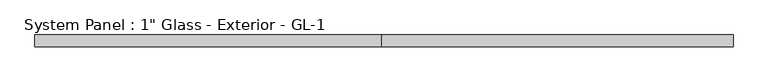
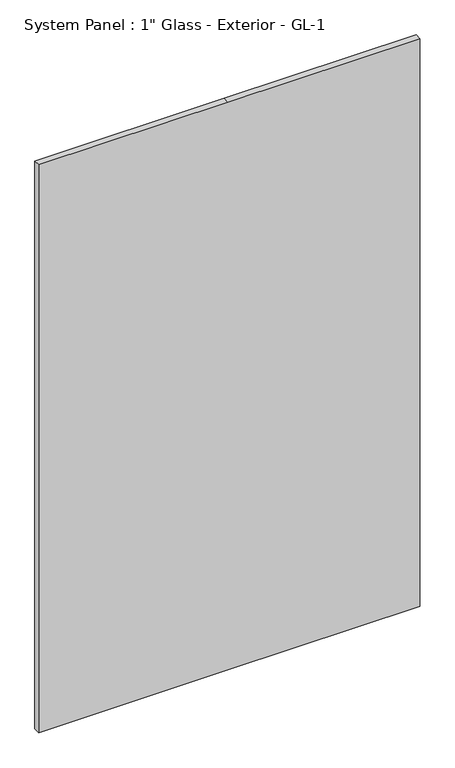
"""IFC4 building model written with IfcOpenShell, lengths in millimetres: plate geometry."""

from ifc_helpers import new_model, si_unit, frame, origin, place, context, project, spatial, polyline, outline, extrude, source, transform, mapped, element, save


def plate_df1a668c(model_context):
    return source(origin(), model_context, "Body", "SweptSolid", [
        extrude(outline(polyline([(0.0, -757.2375), (0.0, -4.7625), (0.0, 757.2375), (2387.6, 757.2375), (2387.6, -4.7625), (2387.6, -757.2375), (0.0, -757.2375)])), frame((0.0, 12.7, 0.0), z_axis=(0.0, 1.0, 0.0), x_axis=(0.0, 0.0, 1.0)), (0.0, 0.0, 1.0), 25.4),
    ])


if __name__ == "__main__":
    model = new_model("IFC4")
    model_context = context("Model", 3, world=origin())
    ifc_project = project(units=[si_unit("LENGTHUNIT", "METRE", prefix="MILLI")], contexts=[model_context])
    site = spatial("IfcSite", under=ifc_project)
    building = spatial("IfcBuilding", under=site)
    placement = place(None, origin())
    plate_shape = plate_df1a668c(model_context)
    element("IfcPlate", 1, ObjectType="System Panel : 1\" Glass - Exterior - GL-1", at=placement, inside=building, context=model_context, shape_type="MappedRepresentation", body=[
        mapped(plate_shape, transform((0.0, 0.0, 0.0), x_axis=(1.0, 0.0, 0.0), y_axis=(0.0, 1.0, 0.0), z_axis=(0.0, 0.0, 1.0))),
    ])
    save(model, "model.ifc")
